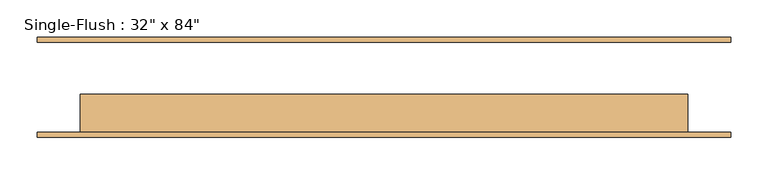
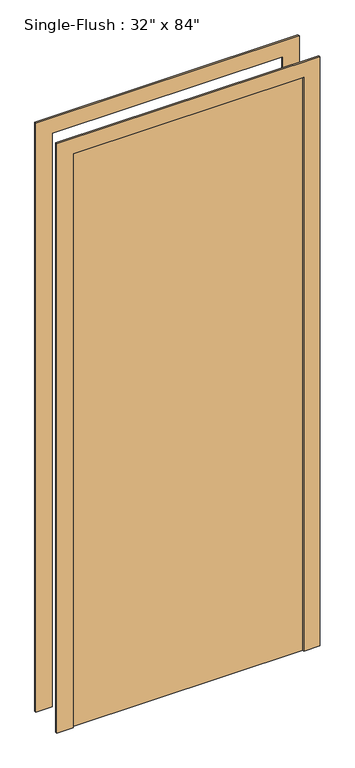
"""IFC4 building model written with IfcOpenShell, lengths in millimetres: door geometry."""

from ifc_helpers import new_model, si_unit, frame, origin, origin_with_axes, place, context, project, spatial, polyline, outline, extrude, source, transform, mapped, element, save


def door_24dac8e7(model_context):
    return source(origin(), model_context, "Body", "SweptSolid", [
        extrude(outline(polyline([(2190.75, -463.55), (0.0, -463.55), (0.0, -406.4), (2133.6, -406.4), (2133.6, 406.4), (0.0, 406.4), (0.0, 463.55), (2190.75, 463.55), (2190.75, -463.55)])), frame((0.0, -66.675, 0.0), z_axis=(0.0, 1.0, 0.0), x_axis=(0.0, 0.0, 1.0)), (0.0, 0.0, 1.0), 6.35),
        extrude(outline(polyline([(2190.75, 463.55), (2190.75, -463.55), (0.0, -463.55), (0.0, -406.4), (2133.6, -406.4), (2133.6, 406.4), (0.0, 406.4), (0.0, 463.55), (2190.75, 463.55)])), frame((0.0, 60.325, 0.0), z_axis=(0.0, 1.0, 0.0), x_axis=(0.0, 0.0, 1.0)), (0.0, 0.0, 1.0), 6.35),
        extrude(outline(polyline([(406.4, -9.525), (406.4, -60.325), (-406.4, -60.325), (-406.4, -9.525), (406.4, -9.525)])), origin_with_axes(), (0.0, 0.0, 1.0), 2133.6),
    ])


if __name__ == "__main__":
    model = new_model("IFC4")
    model_context = context("Model", 3, world=origin())
    ifc_project = project(units=[si_unit("LENGTHUNIT", "METRE", prefix="MILLI")], contexts=[model_context])
    site = spatial("IfcSite", under=ifc_project)
    building = spatial("IfcBuilding", under=site)
    placement = place(None, origin())
    door_shape = door_24dac8e7(model_context)
    element("IfcDoor", 1, ObjectType="Single-Flush : 32\" x 84\"", at=placement, inside=building, context=model_context, shape_type="MappedRepresentation", body=[
        mapped(door_shape, transform((0.0, 0.0, 0.0), x_axis=(1.0, 0.0, 0.0), y_axis=(0.0, 1.0, 0.0), z_axis=(0.0, 0.0, 1.0))),
    ])
    save(model, "model.ifc")
